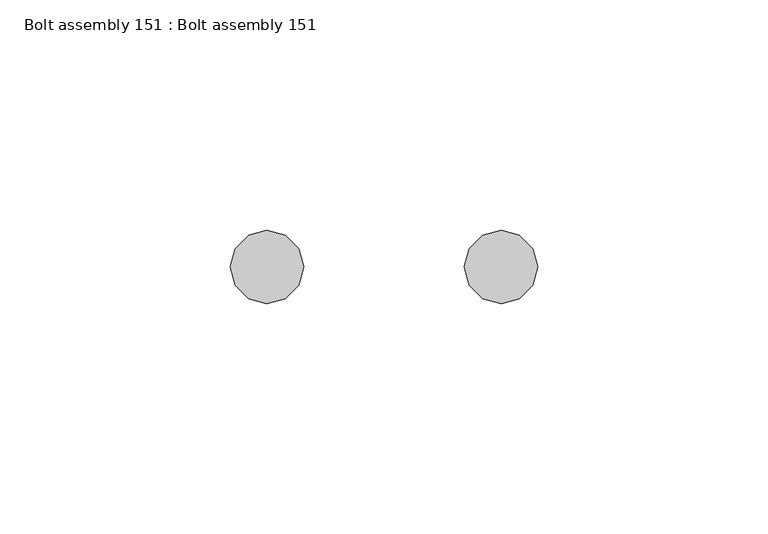
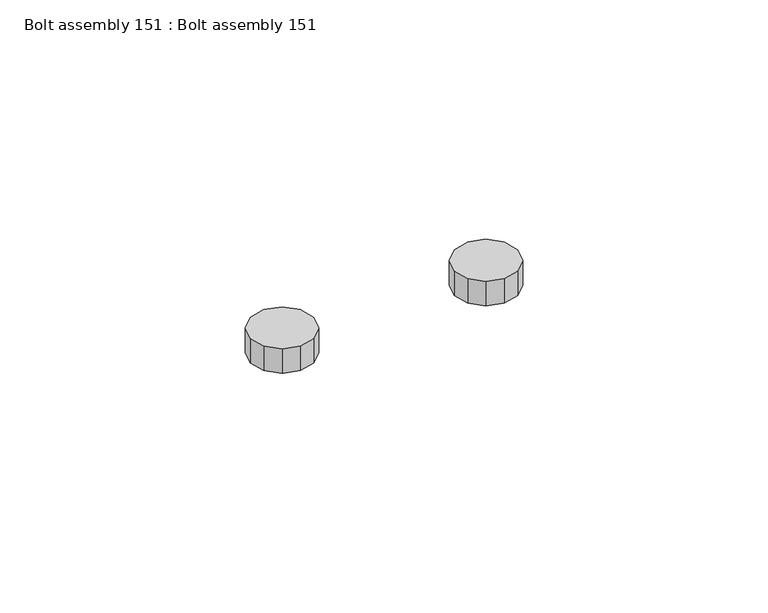
"""IFC4 building model written with IfcOpenShell, lengths in millimetres: proxy geometry, Bolt assembly 151 : Bolt assembly 151."""

from ifc_helpers import new_model, si_unit, frame, origin, place, context, project, spatial, polyline, outline, extrude, source, transform, mapped, element, save


def bolt_assembly_151_bolt_assembly_151_517b8c55(model_context):
    return source(origin(), model_context, "Body", "SweptSolid", [
        extrude(outline(polyline([(1021.2887395, 167.2815693), (1018.3824977, 164.3753276), (1014.4124977, 163.3115693), (1010.4424977, 164.3753276), (1007.536256, 167.2815693), (1006.4724977, 171.2515694), (1007.536256, 175.2215694), (1010.4424977, 178.1278111), (1014.4124977, 179.1915694), (1018.3824977, 178.1278111), (1021.2887395, 175.2215694), (1022.3524978, 171.2515694), (1021.2887395, 167.2815693)])), frame((0.0, 0.0, -39.6875), z_axis=(0.0, 0.0, 1.0), x_axis=(1.0, 0.0, 0.0)), (0.0, 0.0, 1.0), 6.45),
        extrude(outline(polyline([(970.4887426, 167.2815693), (967.5825009, 164.3753276), (963.6125009, 163.3115693), (959.6425008, 164.3753276), (956.7362591, 167.2815693), (955.6725008, 171.2515694), (956.7362591, 175.2215694), (959.6425008, 178.1278111), (963.6125009, 179.1915694), (967.5825009, 178.1278111), (970.4887426, 175.2215694), (971.5525009, 171.2515694), (970.4887426, 167.2815693)])), frame((0.0, 0.0, -39.6875), z_axis=(0.0, 0.0, 1.0), x_axis=(1.0, 0.0, 0.0)), (0.0, 0.0, 1.0), 6.45),
    ])


if __name__ == "__main__":
    model = new_model("IFC4")
    model_context = context("Model", 3, world=origin())
    ifc_project = project(units=[si_unit("LENGTHUNIT", "METRE", prefix="MILLI")], contexts=[model_context])
    site = spatial("IfcSite", under=ifc_project)
    building = spatial("IfcBuilding", under=site)
    placement = place(None, origin())
    bolt_assembly_151_bolt_assembly_151_shape = bolt_assembly_151_bolt_assembly_151_517b8c55(model_context)
    element("IfcBuildingElementProxy", 1, Name="Bolt assembly 151 : Bolt assembly 151", ObjectType="Bolt assembly 151 : Bolt assembly 151", at=placement, inside=building, context=model_context, shape_type="MappedRepresentation", body=[
        mapped(bolt_assembly_151_bolt_assembly_151_shape, transform((0.0, 0.0, 0.0), x_axis=(1.0, 0.0, 0.0), y_axis=(0.0, 1.0, 0.0), z_axis=(0.0, 0.0, 1.0))),
    ])
    save(model, "model.ifc")
